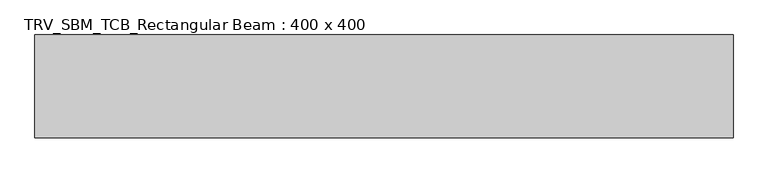
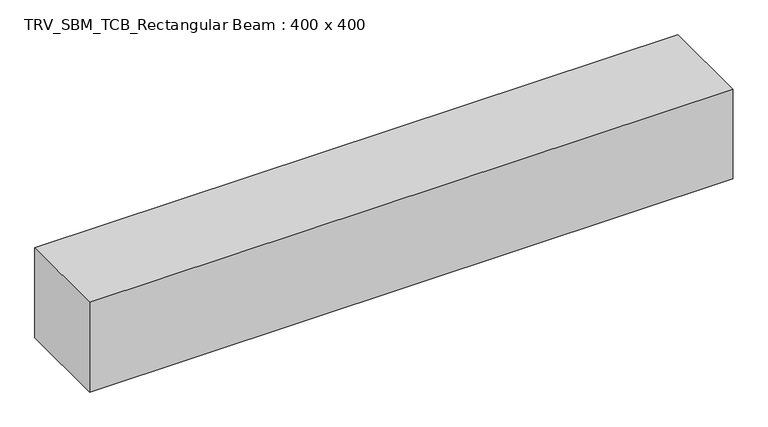
"""IFC4 building model written with IfcOpenShell, lengths in millimetres: beam geometry, TRV_SBM_TCB_Rectangular Beam : 400 x 400."""

from ifc_helpers import new_model, si_unit, frame, origin, place, context, project, spatial, polyline, outline, extrude, source, transform, mapped, element, save


def trv_sbm_tcb_rectangular_beam_400_x_400_f8ee3847(model_context):
    return source(origin(), model_context, "Body", "SweptSolid", [
        extrude(outline(polyline([(1357.7, 200.0), (1357.7, -200.0), (-1357.7, -200.0), (-1357.7, 200.0), (1357.7, 200.0)])), frame((0.0, 0.0, -200.0), z_axis=(0.0, 0.0, 1.0), x_axis=(1.0, 0.0, 0.0)), (0.0, 0.0, 1.0), 400.0),
    ])


if __name__ == "__main__":
    model = new_model("IFC4")
    model_context = context("Model", 3, world=origin())
    ifc_project = project(units=[si_unit("LENGTHUNIT", "METRE", prefix="MILLI")], contexts=[model_context])
    site = spatial("IfcSite", under=ifc_project)
    building = spatial("IfcBuilding", under=site)
    placement = place(None, origin())
    trv_sbm_tcb_rectangular_beam_400_x_400_shape = trv_sbm_tcb_rectangular_beam_400_x_400_f8ee3847(model_context)
    element("IfcBeam", 1, ObjectType="TRV_SBM_TCB_Rectangular Beam : 400 x 400", at=placement, inside=building, context=model_context, shape_type="MappedRepresentation", body=[
        mapped(trv_sbm_tcb_rectangular_beam_400_x_400_shape, transform((0.0, 0.0, 0.0), x_axis=(1.0, 0.0, 0.0), y_axis=(0.0, 1.0, 0.0), z_axis=(0.0, 0.0, 1.0))),
    ])
    save(model, "model.ifc")
